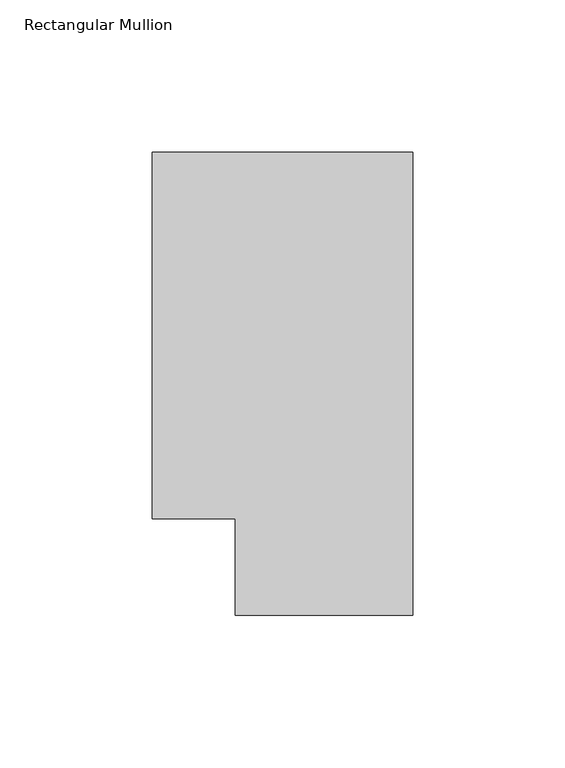
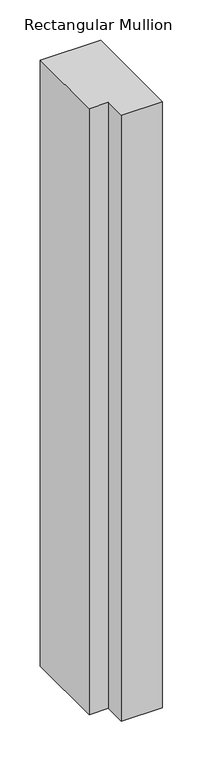
"""IFC4 building model written with IfcOpenShell, lengths in millimetres: member geometry, Rectangular Mullion."""

from ifc_helpers import new_model, si_unit, frame, origin, place, context, project, spatial, polyline, outline, extrude, source, transform, mapped, element, save


def rectangular_mullion_0d513364(model_context):
    return source(origin(), model_context, "Body", "SweptSolid", [
        extrude(outline(polyline([(0.0, 152.4), (0.0, 0.0), (-58.4073, 0.0), (-58.4073, 31.75), (-85.7123, 31.75), (-85.7123, 152.4), (0.0, 152.4)])), frame((0.0, 0.0, -914.4), z_axis=(0.0, 0.0, 1.0), x_axis=(1.0, 0.0, 0.0)), (0.0, 0.0, 1.0), 914.4),
    ])


if __name__ == "__main__":
    model = new_model("IFC4")
    model_context = context("Model", 3, world=origin())
    ifc_project = project(units=[si_unit("LENGTHUNIT", "METRE", prefix="MILLI")], contexts=[model_context])
    site = spatial("IfcSite", under=ifc_project)
    building = spatial("IfcBuilding", under=site)
    placement = place(None, origin())
    rectangular_mullion_shape = rectangular_mullion_0d513364(model_context)
    element("IfcMember", 1, ObjectType="Rectangular Mullion", at=placement, inside=building, context=model_context, shape_type="MappedRepresentation", body=[
        mapped(rectangular_mullion_shape, transform((0.0, 0.0, 0.0), x_axis=(1.0, 0.0, 0.0), y_axis=(0.0, 1.0, 0.0), z_axis=(0.0, 0.0, 1.0))),
    ])
    save(model, "model.ifc")
